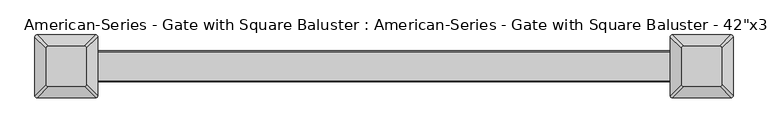
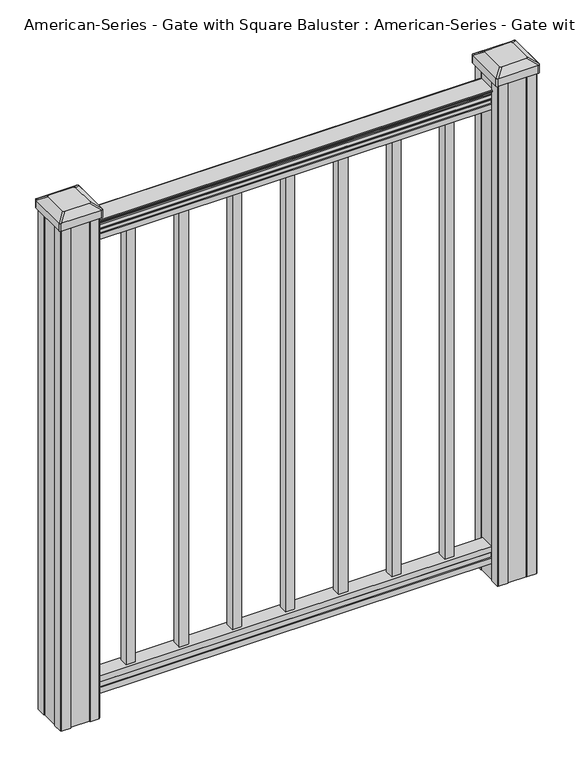
"""IFC4 building model written with IfcOpenShell, lengths in millimetres: proxy geometry."""

from ifc_helpers import new_model, si_unit, point, frame, frame_2d, origin, place, context, project, spatial, polyline, circle_curve, trimmed, segment, composite_curve, outline, extrude, source, transform, mapped, element, save
from ifc_brep_helpers import plane_surface, extruded_surface, advanced_brep


def proxy_4ca3940e(model_context):
    return source(origin(), model_context, "Body", "SolidModel", [
        extrude(outline(polyline([(231.775, 9.525), (231.775, -9.525), (212.725, -9.525), (212.725, 9.525), (231.775, 9.525)])), frame((0.0, 0.0, 101.6), z_axis=(0.0, 0.0, 1.0), x_axis=(1.0, 0.0, 0.0)), (0.0, 0.0, 1.0), 965.2),
        extrude(outline(composite_curve([segment(polyline([(1090.8043297, 17.4328287), (1092.692412, 17.4328287)]), True, "CONTINUOUS"), segment(trimmed(circle_curve(frame_2d((1098.4506383, 11.1180755)), 8.545951), [point((1092.692412, 17.4328287))], [point((1094.2546695, 18.563015))], False, "CARTESIAN"), True, "CONTINUOUS"), segment(trimmed(circle_curve(frame_2d((1097.8636577, 11.5551384)), 7.882584), [point((1094.2546695, 18.563015))], [point((1101.4726458, 18.563015))], False, "CARTESIAN"), True, "CONTINUOUS"), segment(trimmed(circle_curve(frame_2d((1103.7112527, 22.0684625)), 4.1592695), [point((1101.4726458, 18.563015))], [point((1103.9060812, 17.9137586))], True, "CARTESIAN"), True, "CONTINUOUS"), segment(trimmed(circle_curve(frame_2d((1103.6508864, 23.3557691)), 5.4479907), [point((1103.9060812, 17.9137586))], [point((1108.2362083, 20.4137586))], True, "CARTESIAN"), True, "CONTINUOUS"), segment(trimmed(circle_curve(frame_2d((1108.233395, 22.1226107)), 1.7088543), [point((1108.2362083, 20.4137586))], [point((1109.9157972, 21.8231011))], True, "CARTESIAN"), True, "CONTINUOUS"), segment(trimmed(circle_curve(frame_2d((1111.0205318, 20.5057106)), 1.7192895), [point((1109.9157972, 21.8231011))], [point((1111.0205318, 22.2250001))], False, "CARTESIAN"), True, "CONTINUOUS"), segment(polyline([(1111.0205318, 22.2250001), (1112.3608158, 22.225)]), True, "CONTINUOUS"), segment(trimmed(circle_curve(frame_2d((1112.3608158, 20.6715528)), 1.5534472), [point((1112.3608158, 22.225))], [point((1113.914263, 20.6715528))], False, "CARTESIAN"), True, "CONTINUOUS"), segment(polyline([(1113.914263, 20.6715528), (1113.914263, -20.6715528)]), True, "CONTINUOUS"), segment(trimmed(circle_curve(frame_2d((1112.3608158, -20.6715528)), 1.5534472), [point((1113.914263, -20.6715528))], [point((1112.3608158, -22.225))], False, "CARTESIAN"), True, "CONTINUOUS"), segment(polyline([(1112.3608158, -22.225), (1111.0205318, -22.225)]), True, "CONTINUOUS"), segment(trimmed(circle_curve(frame_2d((1111.0205318, -20.5057106)), 1.7192895), [point((1111.0205318, -22.225))], [point((1109.9157972, -21.8231011))], False, "CARTESIAN"), True, "CONTINUOUS"), segment(trimmed(circle_curve(frame_2d((1108.233395, -22.1226107)), 1.7088543), [point((1109.9157972, -21.8231011))], [point((1108.2362083, -20.4137586))], True, "CARTESIAN"), True, "CONTINUOUS"), segment(trimmed(circle_curve(frame_2d((1103.6508864, -23.3557691)), 5.4479907), [point((1108.2362083, -20.4137586))], [point((1103.9060812, -17.9137586))], True, "CARTESIAN"), True, "CONTINUOUS"), segment(trimmed(circle_curve(frame_2d((1103.7112527, -22.0684625)), 4.1592695), [point((1103.9060812, -17.9137586))], [point((1101.4726458, -18.563015))], True, "CARTESIAN"), True, "CONTINUOUS"), segment(trimmed(circle_curve(frame_2d((1097.8636577, -11.5551384)), 7.882584), [point((1101.4726458, -18.563015))], [point((1094.2546695, -18.563015))], False, "CARTESIAN"), True, "CONTINUOUS"), segment(trimmed(circle_curve(frame_2d((1098.4506383, -11.1180755)), 8.545951), [point((1094.2546695, -18.563015))], [point((1092.692412, -17.4328287))], False, "CARTESIAN"), True, "CONTINUOUS"), segment(polyline([(1092.692412, -17.4328287), (1090.8043297, -17.4328287)]), True, "CONTINUOUS"), segment(trimmed(circle_curve(frame_2d((1090.8043297, -16.1459144)), 1.2869144), [point((1090.8043297, -17.4328287))], [point((1090.8043297, -14.859))], False, "CARTESIAN"), True, "CONTINUOUS"), segment(polyline([(1090.8043297, -14.859), (1080.3048283, -14.859), (1079.2888283, -15.875), (1066.8, -15.875), (1066.8, 15.875), (1079.131013, 15.875), (1080.147013, 14.859), (1090.8043297, 14.859)]), True, "CONTINUOUS"), segment(trimmed(circle_curve(frame_2d((1090.8043297, 16.1459144)), 1.2869144), [point((1090.8043297, 14.859))], [point((1090.8043297, 17.4328287))], False, "CARTESIAN"), True, "CONTINUOUS")], self_intersect=False)), frame((457.2, 0.0, 0.0), z_axis=(-1.0, 0.0, 0.0), x_axis=(0.0, 0.0, 1.0)), (0.0, 0.0, 1.0), 914.4),
        extrude(outline(polyline([(-15.9124869, 76.0541976), (-14.8964869, 77.3546183), (-14.8964869, 87.7141717), (-15.9124869, 89.0624492), (-15.9124869, 101.5958781), (15.8375131, 101.5958781), (15.8375131, 89.0458024), (14.8215131, 87.6975248), (14.8215131, 77.3858283), (15.8375131, 76.0375508), (15.8375131, 63.5), (-15.9124869, 63.5), (-15.9124869, 76.0541976)])), frame((-457.2, 0.0, 0.0), z_axis=(1.0, 0.0, 0.0), x_axis=(0.0, 1.0, 0.0)), (0.0, 0.0, 1.0), 914.4),
        advanced_brep(
        [(431.403125, 28.971875, 1165.225), (428.228125, 25.796875, 1165.225), (428.228125, -25.796875, 1165.225), (431.403125, -28.971875, 1165.225), (482.996875, -28.971875, 1165.225), (486.171875, -25.796875, 1165.225), (486.171875, 25.796875, 1165.225), (482.996875, 28.971875, 1165.225), (415.13125, 45.24375, 1153.922), (499.26875, 45.24375, 1153.922), (502.44375, 42.06875, 1153.922), (502.44375, -42.06875, 1153.922), (499.26875, -45.24375, 1153.922), (415.13125, -45.24375, 1153.922), (411.95625, -42.06875, 1153.922), (411.95625, 42.06875, 1153.922)],
        [
            (0, 1, circle_curve(frame((431.403125, 25.796875, 1165.225), z_axis=(0.0, 0.0, 1.0), x_axis=(0.0, -1.0, 0.0)), 3.175)),
            (1, 2),
            (2, 3, circle_curve(frame((431.403125, -25.796875, 1165.225), z_axis=(0.0, 0.0, 1.0), x_axis=(0.0, -1.0, 0.0)), 3.175)),
            (3, 4),
            (4, 5, circle_curve(frame((482.996875, -25.796875, 1165.225), z_axis=(0.0, 0.0, 1.0), x_axis=(0.0, -1.0, 0.0)), 3.175)),
            (5, 6),
            (6, 7, circle_curve(frame((482.996875, 25.796875, 1165.225), z_axis=(0.0, 0.0, 1.0), x_axis=(0.0, -1.0, 0.0)), 3.175)),
            (7, 0),
            (8, 9),
            (9, 10, circle_curve(frame((499.26875, 42.06875, 1153.922), z_axis=(0.0, 0.0, -1.0), x_axis=(0.0, -1.0, 0.0)), 3.175)),
            (10, 11),
            (11, 12, circle_curve(frame((499.26875, -42.06875, 1153.922), z_axis=(0.0, 0.0, -1.0), x_axis=(0.0, -1.0, 0.0)), 3.175)),
            (12, 13),
            (13, 14, circle_curve(frame((415.13125, -42.06875, 1153.922), z_axis=(0.0, 0.0, -1.0), x_axis=(0.0, -1.0, 0.0)), 3.175)),
            (14, 15),
            (15, 8, circle_curve(frame((415.13125, 42.06875, 1153.922), z_axis=(0.0, 0.0, -1.0), x_axis=(0.0, -1.0, 0.0)), 3.175)),
            (15, 1),
            (0, 8),
            (14, 2),
            (13, 3),
            (12, 4),
            (11, 5),
            (10, 6),
            (9, 7),
        ],
        [
            plane_surface(frame((457.2, 0.0, 1165.225), z_axis=(0.0, 0.0, 1.0), x_axis=(-1.0, 0.0, 0.0))),
            plane_surface(frame((457.2, 0.0, 1153.922), z_axis=(0.0, 0.0, -1.0), x_axis=(-1.0, 0.0, 0.0))),
            extruded_surface(trimmed(circle_curve(frame((415.13125, 42.06875, 1153.922), z_axis=(0.0, 0.0, 1.0), x_axis=(0.0, -1.0, 0.0)), 3.175), [point((415.13125, 45.24375, 1153.922))], [point((411.95625, 42.06875, 1153.922))], True, "CARTESIAN"), (16.271874999999966, -16.271875, 11.302999999999884), 25.637972638866092),
            plane_surface(frame((411.95625, 0.0, 1153.922), z_axis=(-0.5705009161540777, 0.0, 0.8212969649690409), x_axis=(0.0, -1.0, 0.0))),
            extruded_surface(trimmed(circle_curve(frame((415.13125, -42.06875, 1153.922), z_axis=(0.0, 0.0, 1.0), x_axis=(0.0, -1.0, 0.0)), 3.175), [point((411.95625, -42.06875, 1153.922))], [point((415.13125, -45.24375, 1153.922))], True, "CARTESIAN"), (16.271874999999966, 16.271875, 11.302999999999884), 25.637972638866092),
            plane_surface(frame((457.2, -45.24375, 1153.922), z_axis=(0.0, -0.5705009161540291, 0.8212969649690747), x_axis=(1.0, 0.0, 0.0))),
            extruded_surface(trimmed(circle_curve(frame((499.26875, -42.06875, 1153.922), z_axis=(0.0, 0.0, 1.0), x_axis=(0.0, -1.0, 0.0)), 3.175), [point((499.26875, -45.24375, 1153.922))], [point((502.44375, -42.06875, 1153.922))], True, "CARTESIAN"), (-16.271875000000023, 16.271875, 11.302999999999884), 25.637972638866128),
            plane_surface(frame((502.44375, 0.0, 1153.922), z_axis=(0.5705009161540143, 0.0, 0.821296964969085), x_axis=(0.0, 1.0, 0.0))),
            extruded_surface(trimmed(circle_curve(frame((499.26875, 42.06875, 1153.922), z_axis=(0.0, 0.0, 1.0), x_axis=(0.0, -1.0, 0.0)), 3.175), [point((502.44375, 42.06875, 1153.922))], [point((499.26875, 45.24375, 1153.922))], True, "CARTESIAN"), (-16.271875000000023, -16.271875, 11.302999999999884), 25.637972638866128),
            plane_surface(frame((457.2, 45.24375, 1153.922), z_axis=(0.0, 0.570500916154034, 0.8212969649690713), x_axis=(-1.0, 0.0, 0.0))),
        ],
        [
            (0, [[1, 2, 3, 4, 5, 6, 7, 8]]),
            (1, [[9, 10, 11, 12, 13, 14, 15, 16]]),
            (2, [[-16, 17, -1, 18]]),
            (3, [[-15, 19, -2, -17]]),
            (4, [[-14, 20, -3, -19]]),
            (5, [[-13, 21, -4, -20]]),
            (6, [[-12, 22, -5, -21]]),
            (7, [[-11, 23, -6, -22]]),
            (8, [[-10, 24, -7, -23]]),
            (9, [[-9, -18, -8, -24]]),
        ],
    ),
        extrude(outline(composite_curve([segment(polyline([(415.13125, 45.24375), (499.26875, 45.24375)]), True, "CONTINUOUS"), segment(trimmed(circle_curve(frame_2d((499.26875, 42.06875)), 3.175), [point((499.26875, 45.24375))], [point((502.44375, 42.06875))], False, "CARTESIAN"), True, "CONTINUOUS"), segment(polyline([(502.44375, 42.06875), (502.44375, -42.06875)]), True, "CONTINUOUS"), segment(trimmed(circle_curve(frame_2d((499.26875, -42.06875)), 3.175), [point((502.44375, -42.06875))], [point((499.26875, -45.24375))], False, "CARTESIAN"), True, "CONTINUOUS"), segment(polyline([(499.26875, -45.24375), (415.13125, -45.24375)]), True, "CONTINUOUS"), segment(trimmed(circle_curve(frame_2d((415.13125, -42.06875)), 3.175), [point((415.13125, -45.24375))], [point((411.95625, -42.06875))], False, "CARTESIAN"), True, "CONTINUOUS"), segment(polyline([(411.95625, -42.06875), (411.95625, 42.06875)]), True, "CONTINUOUS"), segment(trimmed(circle_curve(frame_2d((415.13125, 42.06875)), 3.175), [point((411.95625, 42.06875))], [point((415.13125, 45.24375))], False, "CARTESIAN"), True, "CONTINUOUS")], self_intersect=False)), frame((0.0, 0.0, 1136.65), z_axis=(0.0, 0.0, 1.0), x_axis=(1.0, 0.0, 0.0)), (0.0, 0.0, 1.0), 17.272),
        extrude(outline(polyline([(417.5125, 41.275), (437.134, 41.275), (437.896, 39.6875), (476.504, 39.6875), (477.266, 41.275), (496.8875, 41.275), (498.475, 39.6875), (498.475, 20.066), (496.8875, 19.304), (496.8875, -19.304), (498.475, -20.066), (498.475, -39.6875), (496.8875, -41.275), (477.266, -41.275), (476.504, -39.6875), (437.896, -39.6875), (437.134, -41.275), (417.5125, -41.275), (415.925, -39.6875), (415.925, -20.066), (417.5125, -19.304), (417.5125, 19.304), (415.925, 20.066), (415.925, 39.6875), (417.5125, 41.275)])), frame((0.0, 0.0, 28.575), z_axis=(0.0, 0.0, 1.0), x_axis=(1.0, 0.0, 0.0)), (0.0, 0.0, 1.0), 1108.075),
        advanced_brep(
        [(-482.996875, 28.971875, 1165.225), (-486.171875, 25.796875, 1165.225), (-486.171875, -25.796875, 1165.225), (-482.996875, -28.971875, 1165.225), (-431.403125, -28.971875, 1165.225), (-428.228125, -25.796875, 1165.225), (-428.228125, 25.796875, 1165.225), (-431.403125, 28.971875, 1165.225), (-499.26875, 45.24375, 1153.922), (-415.13125, 45.24375, 1153.922), (-411.95625, 42.06875, 1153.922), (-411.95625, -42.06875, 1153.922), (-415.13125, -45.24375, 1153.922), (-499.26875, -45.24375, 1153.922), (-502.44375, -42.06875, 1153.922), (-502.44375, 42.06875, 1153.922)],
        [
            (0, 1, circle_curve(frame((-482.996875, 25.796875, 1165.225), z_axis=(0.0, 0.0, 1.0), x_axis=(0.0, -1.0, 0.0)), 3.175)),
            (1, 2),
            (2, 3, circle_curve(frame((-482.996875, -25.796875, 1165.225), z_axis=(0.0, 0.0, 1.0), x_axis=(0.0, -1.0, 0.0)), 3.175)),
            (3, 4),
            (4, 5, circle_curve(frame((-431.403125, -25.796875, 1165.225), z_axis=(0.0, 0.0, 1.0), x_axis=(0.0, -1.0, 0.0)), 3.175)),
            (5, 6),
            (6, 7, circle_curve(frame((-431.403125, 25.796875, 1165.225), z_axis=(0.0, 0.0, 1.0), x_axis=(0.0, -1.0, 0.0)), 3.175)),
            (7, 0),
            (8, 9),
            (9, 10, circle_curve(frame((-415.13125, 42.06875, 1153.922), z_axis=(0.0, 0.0, -1.0), x_axis=(0.0, -1.0, 0.0)), 3.175)),
            (10, 11),
            (11, 12, circle_curve(frame((-415.13125, -42.06875, 1153.922), z_axis=(0.0, 0.0, -1.0), x_axis=(0.0, -1.0, 0.0)), 3.175)),
            (12, 13),
            (13, 14, circle_curve(frame((-499.26875, -42.06875, 1153.922), z_axis=(0.0, 0.0, -1.0), x_axis=(0.0, -1.0, 0.0)), 3.175)),
            (14, 15),
            (15, 8, circle_curve(frame((-499.26875, 42.06875, 1153.922), z_axis=(0.0, 0.0, -1.0), x_axis=(0.0, -1.0, 0.0)), 3.175)),
            (15, 1),
            (0, 8),
            (14, 2),
            (13, 3),
            (12, 4),
            (11, 5),
            (10, 6),
            (9, 7),
        ],
        [
            plane_surface(frame((-457.2, 0.0, 1165.225), z_axis=(0.0, 0.0, 1.0), x_axis=(-1.0, 0.0, 0.0))),
            plane_surface(frame((-457.2, 0.0, 1153.922), z_axis=(0.0, 0.0, -1.0), x_axis=(-1.0, 0.0, 0.0))),
            extruded_surface(trimmed(circle_curve(frame((-499.26875, 42.06875, 1153.922), z_axis=(0.0, 0.0, 1.0), x_axis=(0.0, -1.0, 0.0)), 3.175), [point((-499.26875, 45.24375, 1153.922))], [point((-502.44375, 42.06875, 1153.922))], True, "CARTESIAN"), (16.271875000000023, -16.271875, 11.302999999999884), 25.637972638866128),
            plane_surface(frame((-502.44375, 0.0, 1153.922), z_axis=(-0.5705009161540777, 0.0, 0.8212969649690409), x_axis=(0.0, -1.0, 0.0))),
            extruded_surface(trimmed(circle_curve(frame((-499.26875, -42.06875, 1153.922), z_axis=(0.0, 0.0, 1.0), x_axis=(0.0, -1.0, 0.0)), 3.175), [point((-502.44375, -42.06875, 1153.922))], [point((-499.26875, -45.24375, 1153.922))], True, "CARTESIAN"), (16.271875000000023, 16.271875, 11.302999999999884), 25.637972638866128),
            plane_surface(frame((-457.2, -45.24375, 1153.922), z_axis=(0.0, -0.5705009161540291, 0.8212969649690747), x_axis=(1.0, 0.0, 0.0))),
            extruded_surface(trimmed(circle_curve(frame((-415.13125, -42.06875, 1153.922), z_axis=(0.0, 0.0, 1.0), x_axis=(0.0, -1.0, 0.0)), 3.175), [point((-415.13125, -45.24375, 1153.922))], [point((-411.95625, -42.06875, 1153.922))], True, "CARTESIAN"), (-16.271874999999966, 16.271875, 11.302999999999884), 25.637972638866092),
            plane_surface(frame((-411.95625, 0.0, 1153.922), z_axis=(0.5705009161540143, 0.0, 0.821296964969085), x_axis=(0.0, 1.0, 0.0))),
            extruded_surface(trimmed(circle_curve(frame((-415.13125, 42.06875, 1153.922), z_axis=(0.0, 0.0, 1.0), x_axis=(0.0, -1.0, 0.0)), 3.175), [point((-411.95625, 42.06875, 1153.922))], [point((-415.13125, 45.24375, 1153.922))], True, "CARTESIAN"), (-16.271874999999966, -16.271875, 11.302999999999884), 25.637972638866092),
            plane_surface(frame((-457.2, 45.24375, 1153.922), z_axis=(0.0, 0.570500916154034, 0.8212969649690713), x_axis=(-1.0, 0.0, 0.0))),
        ],
        [
            (0, [[1, 2, 3, 4, 5, 6, 7, 8]]),
            (1, [[9, 10, 11, 12, 13, 14, 15, 16]]),
            (2, [[-16, 17, -1, 18]]),
            (3, [[-15, 19, -2, -17]]),
            (4, [[-14, 20, -3, -19]]),
            (5, [[-13, 21, -4, -20]]),
            (6, [[-12, 22, -5, -21]]),
            (7, [[-11, 23, -6, -22]]),
            (8, [[-10, 24, -7, -23]]),
            (9, [[-9, -18, -8, -24]]),
        ],
    ),
        extrude(outline(composite_curve([segment(polyline([(-499.26875, 45.24375), (-415.13125, 45.24375)]), True, "CONTINUOUS"), segment(trimmed(circle_curve(frame_2d((-415.13125, 42.06875)), 3.175), [point((-415.13125, 45.24375))], [point((-411.95625, 42.06875))], False, "CARTESIAN"), True, "CONTINUOUS"), segment(polyline([(-411.95625, 42.06875), (-411.95625, -42.06875)]), True, "CONTINUOUS"), segment(trimmed(circle_curve(frame_2d((-415.13125, -42.06875)), 3.175), [point((-411.95625, -42.06875))], [point((-415.13125, -45.24375))], False, "CARTESIAN"), True, "CONTINUOUS"), segment(polyline([(-415.13125, -45.24375), (-499.26875, -45.24375)]), True, "CONTINUOUS"), segment(trimmed(circle_curve(frame_2d((-499.26875, -42.06875)), 3.175), [point((-499.26875, -45.24375))], [point((-502.44375, -42.06875))], False, "CARTESIAN"), True, "CONTINUOUS"), segment(polyline([(-502.44375, -42.06875), (-502.44375, 42.06875)]), True, "CONTINUOUS"), segment(trimmed(circle_curve(frame_2d((-499.26875, 42.06875)), 3.175), [point((-502.44375, 42.06875))], [point((-499.26875, 45.24375))], False, "CARTESIAN"), True, "CONTINUOUS")], self_intersect=False)), frame((0.0, 0.0, 1136.65), z_axis=(0.0, 0.0, 1.0), x_axis=(1.0, 0.0, 0.0)), (0.0, 0.0, 1.0), 17.272),
        extrude(outline(polyline([(-496.8875, 41.275), (-477.266, 41.275), (-476.504, 39.6875), (-437.896, 39.6875), (-437.134, 41.275), (-417.5125, 41.275), (-415.925, 39.6875), (-415.925, 20.066), (-417.5125, 19.304), (-417.5125, -19.304), (-415.925, -20.066), (-415.925, -39.6875), (-417.5125, -41.275), (-437.134, -41.275), (-437.896, -39.6875), (-476.504, -39.6875), (-477.266, -41.275), (-496.8875, -41.275), (-498.475, -39.6875), (-498.475, -20.066), (-496.8875, -19.304), (-496.8875, 19.304), (-498.475, 20.066), (-498.475, 39.6875), (-496.8875, 41.275)])), frame((0.0, 0.0, 28.575), z_axis=(0.0, 0.0, 1.0), x_axis=(1.0, 0.0, 0.0)), (0.0, 0.0, 1.0), 1108.075),
        extrude(outline(polyline([(120.65, 9.525), (120.65, -9.525), (101.6, -9.525), (101.6, 9.525), (120.65, 9.525)])), frame((0.0, 0.0, 101.6), z_axis=(0.0, 0.0, 1.0), x_axis=(1.0, 0.0, 0.0)), (0.0, 0.0, 1.0), 965.2),
        extrude(outline(polyline([(9.525, 9.525), (9.525, -9.525), (-9.525, -9.525), (-9.525, 9.525), (9.525, 9.525)])), frame((0.0, 0.0, 101.6), z_axis=(0.0, 0.0, 1.0), x_axis=(1.0, 0.0, 0.0)), (0.0, 0.0, 1.0), 965.2),
        extrude(outline(polyline([(-101.6, 9.525), (-101.6, -9.525), (-120.65, -9.525), (-120.65, 9.525), (-101.6, 9.525)])), frame((0.0, 0.0, 101.6), z_axis=(0.0, 0.0, 1.0), x_axis=(1.0, 0.0, 0.0)), (0.0, 0.0, 1.0), 965.2),
        extrude(outline(polyline([(-212.725, 9.525), (-212.725, -9.525), (-231.775, -9.525), (-231.775, 9.525), (-212.725, 9.525)])), frame((0.0, 0.0, 101.6), z_axis=(0.0, 0.0, 1.0), x_axis=(1.0, 0.0, 0.0)), (0.0, 0.0, 1.0), 965.2),
        extrude(outline(polyline([(342.9, 9.525), (342.9, -9.525), (323.85, -9.525), (323.85, 9.525), (342.9, 9.525)])), frame((0.0, 0.0, 101.6), z_axis=(0.0, 0.0, 1.0), x_axis=(1.0, 0.0, 0.0)), (0.0, 0.0, 1.0), 965.2),
        extrude(outline(polyline([(-323.85, 9.525), (-323.85, -9.525), (-342.9, -9.525), (-342.9, 9.525), (-323.85, 9.525)])), frame((0.0, 0.0, 101.6), z_axis=(0.0, 0.0, 1.0), x_axis=(1.0, 0.0, 0.0)), (0.0, 0.0, 1.0), 965.2),
    ])


if __name__ == "__main__":
    model = new_model("IFC4")
    model_context = context("Model", 3, world=origin())
    ifc_project = project(units=[si_unit("LENGTHUNIT", "METRE", prefix="MILLI")], contexts=[model_context])
    site = spatial("IfcSite", under=ifc_project)
    building = spatial("IfcBuilding", under=site)
    placement = place(None, origin())
    proxy_shape = proxy_4ca3940e(model_context)
    element("IfcBuildingElementProxy", 1, Name="American-Series - Gate with Square Baluster : American-Series - Gate with Square Baluster - 42\"x36\"", ObjectType="American-Series - Gate with Square Baluster : American-Series - Gate with Square Baluster - 42\"x36\"", at=placement, inside=building, context=model_context, shape_type="MappedRepresentation", body=[
        mapped(proxy_shape, transform((0.0, 0.0, 0.0), x_axis=(1.0, 0.0, 0.0), y_axis=(0.0, 1.0, 0.0), z_axis=(0.0, 0.0, 1.0))),
    ])
    save(model, "model.ifc")
